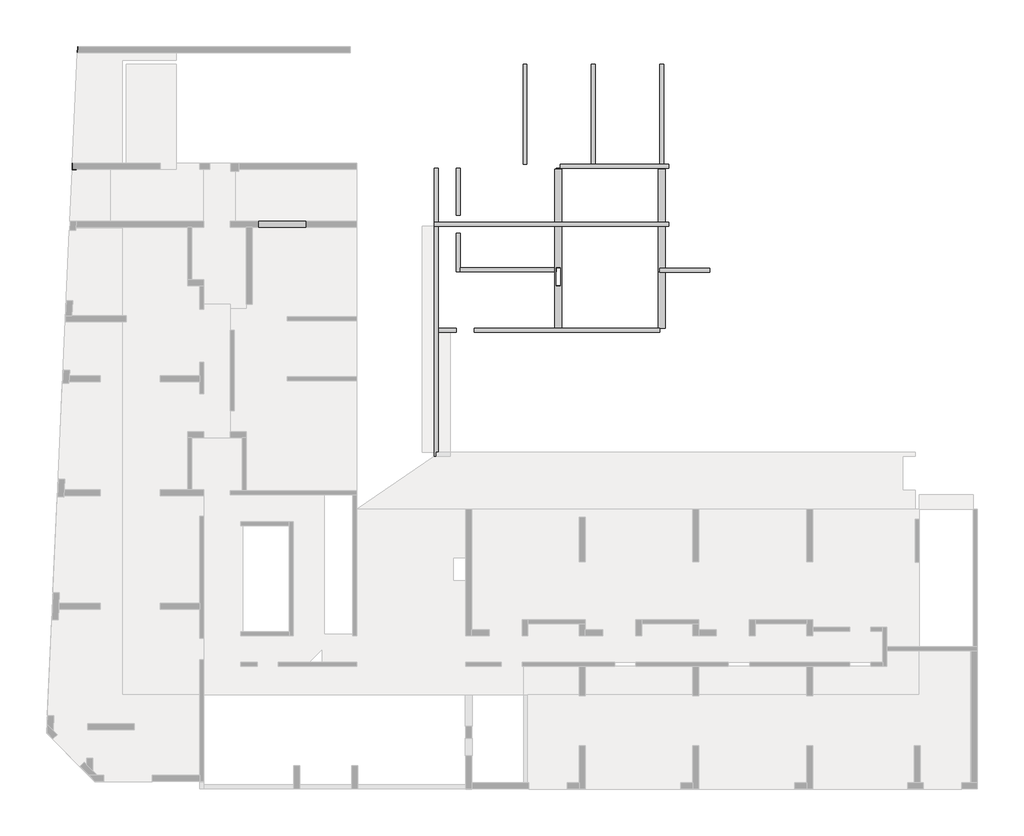
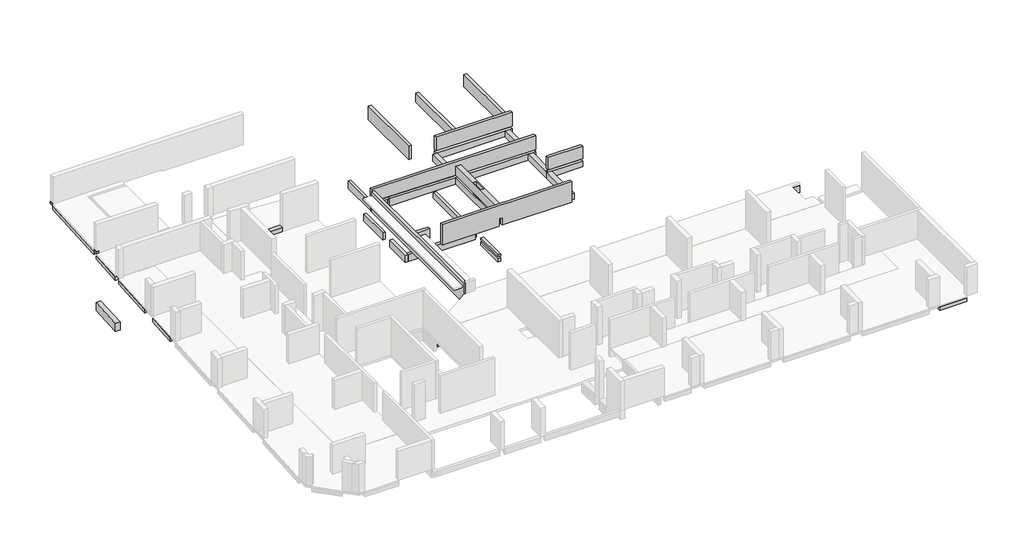
# One storey, part 4 of 4: 37 beams.
"""IFC4 building model written with IfcOpenShell, lengths in millimetres."""

from ifc_helpers import new_model, si_unit, frame, origin, place, context, project, spatial, polyline, outline, extrude, faceted_brep, element, save

model = new_model("IFC4")

# Units and contexts
model_context = context("Model", 3, world=origin())
ifc_project = project(units=[si_unit("LENGTHUNIT", "METRE", prefix="MILLI")], contexts=[model_context])

# Site, building, storey
site = spatial("IfcSite", under=ifc_project)
building = spatial("IfcBuilding", under=site)
storey = spatial("IfcBuildingStorey", under=building, Elevation=-20.0)

# Beams
placement = place(None, origin())
element("IfcBeam", 1, ObjectType="V. 20/168", at=placement, inside=storey, context=model_context, shape_type="Brep", body=[
    faceted_brep([(-13445.6912908, 11850.9327501, 230.0), (-13445.6912908, 11650.9327501, 230.0), (-13445.6912908, 11650.9327501, -826.2), (-13445.6912908, 11850.9327501, -826.2), (-18895.7442801, 11650.9327501, 230.0), (-18895.7442801, 11650.9327501, -771.6994701), (-18895.7442801, 11850.9327501, 230.0), (-18895.7442801, 11850.9327501, -771.6994701), (-17330.6912908, 11850.9327501, -787.35), (-17130.6912908, 11850.9327501, -789.35), (-13895.6912908, 11850.9327501, -821.7), (-13695.6912908, 11850.9327501, -823.7)], [[[0, 1, 2, 3]], [[1, 4, 5, 2]], [[1, 0, 6, 4]], [[3, 2, 5, 7, 8, 9, 10, 11]], [[6, 0, 3, 11, 10, 9, 8, 7]], [[4, 6, 7, 5]]]),
    faceted_brep([(-13445.6912908, 11850.9327501, -1450.0), (-13445.6912908, 11650.9327501, -1450.0), (-18895.7442801, 11650.9327501, -1450.0), (-18895.7442801, 11850.9327501, -1450.0), (-18895.7442801, 11850.9327501, -951.7084699), (-13445.6912908, 11850.9327501, -1006.2089998), (-18895.7442801, 11650.9327501, -951.7084699), (-13445.6912908, 11650.9327501, -1006.2089998)], [[[0, 1, 2, 3]], [[0, 3, 4, 5]], [[3, 2, 6, 4]], [[7, 5, 4, 6]], [[1, 0, 5, 7]], [[2, 1, 7, 6]]]),
])
element("IfcBeam", 2, ObjectType="V. 20/168", at=placement, inside=storey, context=model_context, shape_type="Brep", body=[
    faceted_brep([(-13445.6912908, 8930.9327501, 230.0), (-13445.6912908, 8730.9327501, 230.0), (-13445.6912908, 8730.9327501, -826.2), (-13445.6912908, 8930.9327501, -826.2), (-25195.6912908, 8730.9327501, 230.0), (-25195.6912908, 8730.9327501, 100.0), (-25195.6912908, 8730.9327501, -683.69875), (-25195.6912908, 8730.9327501, -708.7), (-24995.6912908, 8730.9327501, -710.7), (-19170.6912908, 8730.9327501, -768.95), (-18820.6912908, 8730.9327501, -772.45), (-13895.6912908, 8730.9327501, -821.7), (-13695.6912908, 8730.9327501, -823.7), (-25195.6912908, 8930.9327501, 230.0), (-25195.6912908, 8930.9327501, -708.7), (-25195.6912908, 8930.9327501, -683.69875)], [[[0, 1, 2, 3]], [[1, 4, 5, 6, 7, 8, 9, 10, 11, 12, 2]], [[1, 0, 13, 4]], [[3, 2, 12, 11, 10, 9, 8, 7, 14]], [[4, 13, 15, 14, 7, 6, 5]], [[13, 0, 3, 14, 15]]]),
    faceted_brep([(-25195.6912908, 8930.9327501, -1450.0), (-25195.6912908, 8730.9327501, -1450.0), (-25195.6912908, 8730.9327501, -888.7089998), (-25195.6912908, 8930.9327501, -888.7089998), (-13445.6912908, 8930.9327501, -1450.0), (-13445.6912908, 8730.9327501, -1450.0), (-13620.6912908, 8730.9327501, -1450.0), (-13970.6912908, 8730.9327501, -1450.0), (-18820.6912908, 8730.9327501, -1450.0), (-19170.6912908, 8730.9327501, -1450.0), (-23895.6912908, 8730.9327501, -1450.0), (-23895.6912908, 8930.9327501, -1450.0), (-19170.6912908, 8930.9327501, -1450.0), (-18820.6912908, 8930.9327501, -1450.0), (-13970.6912908, 8930.9327501, -1450.0), (-13620.6912908, 8930.9327501, -1450.0), (-13445.6912908, 8930.9327501, -1006.2089998), (-23895.6912908, 8930.9327501, -901.7089998), (-19170.6912908, 8930.9327501, -948.9589998), (-18820.6912908, 8930.9327501, -952.4589998), (-13970.6912908, 8930.9327501, -1000.9589998), (-13620.6912908, 8930.9327501, -1004.4589998), (-13445.6912908, 8730.9327501, -1006.2089998), (-24995.6912908, 8930.9327501, -890.7089998), (-24995.6912908, 8730.9327501, -890.7089998), (-23895.6912908, 8730.9327501, -901.7089998), (-19170.6912908, 8730.9327501, -948.9589998), (-18820.6912908, 8730.9327501, -952.4589998), (-13970.6912908, 8730.9327501, -1000.9589998), (-13620.6912908, 8730.9327501, -1004.4589998), (-24095.6912908, 8930.9327501, -901.7089998), (-24095.6912908, 8730.9327501, -901.7089998), (-24095.6912908, 8730.9327501, -1450.0), (-24095.6912908, 8930.9327501, -1450.0), (-24995.6912908, 8930.9327501, -1450.0), (-24995.6912908, 8730.9327501, -1450.0)], [[[0, 1, 2, 3]], [[4, 5, 6, 7, 8, 9, 10, 11, 12, 13, 14, 15]], [[16, 4, 15, 14, 13, 12, 11, 17, 18, 19, 20, 21]], [[22, 16, 21, 20, 19, 18, 17, 23, 3, 2, 24, 25, 26, 27, 28, 29]], [[5, 4, 16, 22]], [[5, 22, 29, 28, 27, 26, 25, 10, 9, 8, 7, 6]], [[25, 17, 11, 10]], [[30, 31, 32, 33]], [[17, 25, 31, 30]], [[1, 0, 34, 33, 32, 35]], [[0, 3, 23, 17, 30, 33, 34]], [[2, 1, 35, 32, 31, 25, 24]]]),
])
element("IfcBeam", 3, ObjectType="V. 20/40", at=placement, inside=storey, context=model_context, shape_type="SweptSolid", body=[
    extrude(outline(polyline([(1214.3087092, -19244.0672499), (1214.3087092, -19444.0672499), (-725.6912908, -19444.0672499), (-725.6912908, -19244.0672499), (1214.3087092, -19244.0672499)])), frame((0.0, 0.0, -420.0), z_axis=(0.0, 0.0, 1.0), x_axis=(1.0, 0.0, 0.0)), (0.0, 0.0, 1.0), 280.0),
])
element("IfcBeam", 4, ObjectType="V. 20/40", at=placement, inside=storey, context=model_context, shape_type="SweptSolid", body=[
    extrude(outline(polyline([(-43572.1332198, 1541.2645643), (-43771.9277394, 1550.3282252), (-43663.0245257, 3950.9327501), (-43462.8188339, 3950.9327501), (-43572.1332198, 1541.2645643)])), frame((0.0, 0.0, -420.0), z_axis=(0.0, 0.0, 1.0), x_axis=(1.0, 0.0, 0.0)), (0.0, 0.0, 1.0), 280.0),
])
element("IfcBeam", 5, ObjectType="V. 20/40", at=placement, inside=storey, context=model_context, shape_type="SweptSolid", body=[
    extrude(outline(polyline([(-43415.1552212, 5001.6040783), (-43614.9497408, 5010.6677392), (-43454.5229436, 8547.0307357), (-43254.728424, 8537.9670748), (-43415.1552212, 5001.6040783)])), frame((0.0, 0.0, -420.0), z_axis=(0.0, 0.0, 1.0), x_axis=(1.0, 0.0, 0.0)), (0.0, 0.0, 1.0), 280.0),
])
element("IfcBeam", 6, ObjectType="V. 20/40", at=placement, inside=storey, context=model_context, shape_type="SweptSolid", body=[
    extrude(outline(polyline([(-43234.633325, 8980.9327501), (-43434.8390168, 8980.9327501), (-43317.1170694, 11575.9327501), (-43116.9113776, 11575.9327501), (-43234.633325, 8980.9327501)])), frame((0.0, 0.0, -420.0), z_axis=(0.0, 0.0, 1.0), x_axis=(1.0, 0.0, 0.0)), (0.0, 0.0, 1.0), 280.0),
])
element("IfcBeam", 7, ObjectType="V. 20/40", at=placement, inside=storey, context=model_context, shape_type="SweptSolid", body=[
    extrude(outline(polyline([(-43116.9113776, 11575.9327501), (-43317.1170694, 11575.9327501), (-43301.2393501, 11925.9327501), (-43101.0336583, 11925.9327501), (-43102.1677811, 11900.9327501), (-43277.3477614, 11900.9327501), (-43290.9572351, 11600.9327501), (-43115.7772548, 11600.9327501), (-43116.9113776, 11575.9327501)])), frame((0.0, 0.0, -20.0), z_axis=(0.0, 0.0, 1.0), x_axis=(1.0, 0.0, 0.0)), (0.0, 0.0, 1.0), 150.0),
    extrude(outline(polyline([(-43101.0336583, 11925.9327501), (-43301.2393501, 11925.9327501), (-43052.6396307, 17405.9327501), (-42852.4339389, 17405.9327501), (-43101.0336583, 11925.9327501)])), frame((0.0, 0.0, -270.0), z_axis=(0.0, 0.0, 1.0), x_axis=(1.0, 0.0, 0.0)), (0.0, 0.0, 1.0), 240.0),
    extrude(outline(polyline([(-43026.4797964, 17430.9327501), (-43051.5055079, 17430.9327501), (-43037.8960342, 17730.9327501), (-43012.8703227, 17730.9327501), (-43026.4797964, 17430.9327501)])), frame((0.0, 0.0, -20.0), z_axis=(0.0, 0.0, 1.0), x_axis=(1.0, 0.0, 0.0)), (0.0, 0.0, 1.0), 150.0),
])
element("IfcBeam", 8, ObjectType="V. 20/40", at=placement, inside=storey, context=model_context, shape_type="SweptSolid", body=[
    extrude(outline(polyline([(1644.3087092, -14499.0672499), (1644.3087092, -14699.0672499), (-850.6912908, -14699.0672499), (-850.6912908, -14499.0672499), (1644.3087092, -14499.0672499)])), frame((0.0, 0.0, -420.0), z_axis=(0.0, 0.0, 1.0), x_axis=(1.0, 0.0, 0.0)), (0.0, 0.0, 1.0), 280.0),
])
element("IfcBeam", 9, ObjectType="V. 20/74", at=placement, inside=storey, context=model_context, shape_type="Brep", body=[
    faceted_brep([(-1125.6912908, -2769.0672499, -1450.0), (-1125.6912908, -2569.0672499, -1450.0), (-1125.6912908, -2569.0672499, -1390.0089998), (-1125.6912908, -2569.0672499, -1210.0), (-1125.6912908, -2569.0672499, -889.9176391), (-1125.6912908, -2769.0672499, -887.1176391), (-24395.6912908, -2569.0672499, -1450.0), (-24395.6912908, -2769.0672499, -1450.0), (-24395.6912908, -2769.0672499, -887.1176391), (-24395.6912908, -2569.0672499, -889.9176391), (-1755.6912908, -2769.0672499, -887.1176391), (-19170.6912908, -2569.0672499, -1450.0), (-18820.6912908, -2569.0672499, -1450.0), (-13970.6912908, -2569.0672499, -1450.0), (-13620.6912908, -2569.0672499, -1450.0), (-8870.6912908, -2569.0672499, -1450.0), (-8520.6912908, -2569.0672499, -1450.0), (-3690.6912908, -2569.0672499, -1450.0), (-3340.6912908, -2569.0672499, -1450.0)], [[[0, 1, 2, 3, 4, 5]], [[6, 7, 8, 9]], [[7, 0, 5, 10, 8]], [[1, 0, 7, 6, 11, 12, 13, 14, 15, 16, 17, 18]], [[1, 18, 17, 16, 15, 14, 13, 12, 11, 6, 9, 4, 3, 2]], [[5, 4, 9, 8, 10]]]),
])
element("IfcBeam", 10, ObjectType="V. 20/74", at=placement, inside=storey, context=model_context, shape_type="SweptSolid", body=[
    extrude(outline(polyline([(-1450.0, -25195.6912908), (-1450.0, -24995.6912908), (-890.7089998, -24995.6912908), (-888.7089998, -25195.6912908), (-1450.0, -25195.6912908)])), frame((0.0, 8930.9327501, 0.0), z_axis=(0.0, 1.0, 0.0), x_axis=(0.0, 0.0, 1.0)), (0.0, 0.0, 1.0), 2720.0),
])
element("IfcBeam", 11, ObjectType="V. 20/80", at=placement, inside=storey, context=model_context, shape_type="Brep", body=[
    faceted_brep([(-36735.6912908, 4590.9327501, -820.0), (-36935.6912908, 4590.9327501, -820.0), (-36935.6912908, 4590.9327501, -180.0), (-36735.6912908, 4590.9327501, -180.0), (-36935.6912908, 1930.9327501, -820.0), (-36735.6912908, 1930.9327501, -820.0), (-36735.6912908, 1930.9327501, -180.0), (-36935.6912908, 1930.9327501, -180.0), (-36935.6912908, 3950.9327501, -820.0), (-36935.6912908, 4300.9327501, -820.0), (-36935.6912908, 3950.9327501, -180.0), (-36935.6912908, 4300.9327501, -180.0)], [[[0, 1, 2, 3]], [[4, 5, 6, 7]], [[5, 0, 3, 6]], [[1, 0, 5, 4, 8, 9]], [[1, 9, 8, 4, 7, 10, 11, 2]], [[3, 2, 11, 10, 7, 6]]]),
])
element("IfcBeam", 12, ObjectType="V. 20/98", at=placement, inside=storey, context=model_context, shape_type="SweptSolid", body=[
    extrude(outline(polyline([(-32545.6912908, 1200.9327501), (-32545.6912908, 1000.9327501), (-35205.6912908, 1000.9327501), (-35205.6912908, 1200.9327501), (-32545.6912908, 1200.9327501)])), frame((0.0, 0.0, -1650.0), z_axis=(0.0, 0.0, 1.0), x_axis=(1.0, 0.0, 0.0)), (0.0, 0.0, 1.0), 820.0),
])
element("IfcBeam", 13, ObjectType="V. 20/98", at=placement, inside=storey, context=model_context, shape_type="SweptSolid", body=[
    extrude(outline(polyline([(-29365.6912908, 1200.9327501), (-29365.6912908, 1000.9327501), (-30205.6912908, 1000.9327501), (-30205.6912908, 1200.9327501), (-29365.6912908, 1200.9327501)])), frame((0.0, 0.0, -1650.0), z_axis=(0.0, 0.0, 1.0), x_axis=(1.0, 0.0, 0.0)), (0.0, 0.0, 1.0), 820.0),
])
element("IfcBeam", 14, ObjectType="V. 20/98", at=placement, inside=storey, context=model_context, shape_type="SweptSolid", body=[
    extrude(outline(polyline([(-29365.6912908, 4200.9327501), (-29365.6912908, 4000.9327501), (-30205.6912908, 4000.9327501), (-30205.6912908, 4200.9327501), (-29365.6912908, 4200.9327501)])), frame((0.0, 0.0, -1650.0), z_axis=(0.0, 0.0, 1.0), x_axis=(1.0, 0.0, 0.0)), (0.0, 0.0, 1.0), 820.0),
])
element("IfcBeam", 15, ObjectType="V. 30/98", at=placement, inside=storey, context=model_context, shape_type="Brep", body=[
    faceted_brep([(-29365.6912908, -4489.0672499, -1650.0), (-29065.6912908, -4489.0672499, -1650.0), (-29065.6912908, -4489.0672499, -830.0), (-29365.6912908, -4489.0672499, -830.0), (-29065.6912908, 8980.9327501, -830.0), (-29065.6912908, 11600.9327501, -1650.0), (-29065.6912908, 11600.9327501, -830.2954584), (-29065.6912908, 8980.9327501, -830.2954584), (-29365.6912908, 1000.9327501, -1650.0), (-29365.6912908, 1200.9327501, -1650.0), (-29365.6912908, 4000.9327501, -1650.0), (-29365.6912908, 4200.9327501, -1650.0), (-29365.6912908, 8680.9327501, -1650.0), (-29365.6912908, 8980.9327501, -1650.0), (-29365.6912908, 11600.9327501, -1650.0), (-29365.6912908, 1000.9327501, -830.0), (-29365.6912908, 1200.9327501, -830.0), (-29365.6912908, 4000.9327501, -830.0), (-29365.6912908, 4200.9327501, -830.0), (-29365.6912908, 8680.9327501, -830.0), (-29365.6912908, 8980.9327501, -830.0), (-29365.6912908, 8980.9327501, -812.0554584), (-29365.6912908, 11600.9327501, -812.0554584), (-29070.550804, 8980.9327501, -830.0)], [[[0, 1, 2, 3]], [[4, 2, 1, 5, 6, 7]], [[1, 0, 8, 9, 10, 11, 12, 13, 14, 5]], [[3, 15, 16, 17, 18, 19, 20, 21, 22, 14, 13, 12, 11, 10, 9, 8, 0]], [[2, 4, 23, 20, 19, 18, 17, 16, 15, 3]], [[21, 20, 23]], [[23, 7, 6, 22, 21]], [[7, 23, 4]], [[6, 5, 14, 22]]]),
])
element("IfcBeam", 16, ObjectType="V. 30/98", at=placement, inside=storey, context=model_context, shape_type="Brep", body=[
    faceted_brep([(-29065.6912908, -5419.0672499, -1650.0), (-29065.6912908, -5719.0672499, -1650.0), (-29065.6912908, -5719.0672499, -830.0), (-29065.6912908, -5419.0672499, -830.0), (-23625.6912908, -5719.0672499, -1650.0), (-23325.6912908, -5719.0672499, -1650.0), (-17935.6912908, -5719.0672499, -1650.0), (-17635.6912908, -5719.0672499, -1650.0), (-12245.6912908, -5719.0672499, -1650.0), (-11945.6912908, -5719.0672499, -1650.0), (-6555.6912908, -5719.0672499, -1650.0), (-6255.6912908, -5719.0672499, -1650.0), (-1125.6912908, -5719.0672499, -1650.0), (-1125.6912908, -5719.0672499, -830.0), (-6255.6912908, -5719.0672499, -830.0), (-6555.6912908, -5719.0672499, -830.0), (-11945.6912908, -5719.0672499, -830.0), (-12245.6912908, -5719.0672499, -830.0), (-17635.6912908, -5719.0672499, -830.0), (-17935.6912908, -5719.0672499, -830.0), (-23325.6912908, -5719.0672499, -830.0), (-23625.6912908, -5719.0672499, -830.0), (-1125.6912908, -5419.0672499, -1650.0), (-1125.6912908, -5419.0672499, -830.0), (-1125.6912908, -5419.0672499, -850.0176391)], [[[0, 1, 2, 3]], [[2, 1, 4, 5, 6, 7, 8, 9, 10, 11, 12, 13, 14, 15, 16, 17, 18, 19, 20, 21]], [[1, 0, 22, 12, 11, 10, 9, 8, 7, 6, 5, 4]], [[0, 3, 23, 24, 22]], [[3, 2, 21, 20, 19, 18, 17, 16, 15, 14, 13, 23]], [[13, 12, 22, 24, 23]]]),
])
element("IfcBeam", 17, ObjectType="V. 30/98", at=placement, inside=storey, context=model_context, shape_type="SweptSolid", body=[
    extrude(outline(polyline([(-29365.6912908, 8980.9327501), (-29365.6912908, 8680.9327501), (-30205.6912908, 8680.9327501), (-30205.6912908, 8980.9327501), (-29365.6912908, 8980.9327501)])), frame((0.0, 0.0, -1650.0), z_axis=(0.0, 0.0, 1.0), x_axis=(1.0, 0.0, 0.0)), (0.0, 0.0, 1.0), 820.0),
])
element("IfcBeam", 18, ObjectType="V. 35/135", at=placement, inside=storey, context=model_context, shape_type="Brep", body=[
    faceted_brep([(-19170.6912908, 8730.9327501, -100.0), (-18820.6912908, 8730.9327501, -100.0), (-18820.6912908, 8730.9327501, -772.45), (-19170.6912908, 8730.9327501, -768.95), (-18820.6912908, 3640.9327501, -100.0), (-18820.6912908, 3640.9327501, -772.45), (-19170.6912908, 3640.9327501, -100.0), (-18895.6912908, 6650.9327501, -100.0), (-18895.6912908, 5750.9327501, -100.0), (-19095.6912908, 5750.9327501, -100.0), (-19095.6912908, 6650.9327501, -100.0), (-19170.6912908, 3640.9327501, -768.95), (-18895.6912908, 5750.9327501, -771.7), (-18895.6912908, 6650.9327501, -771.7), (-19095.6912908, 6650.9327501, -769.7), (-19095.6912908, 5750.9327501, -769.7)], [[[0, 1, 2, 3]], [[1, 4, 5, 2]], [[1, 0, 6, 4], [7, 8, 9, 10]], [[3, 2, 5, 11], [12, 13, 14, 15]], [[4, 6, 11, 5]], [[6, 0, 3, 11]], [[8, 12, 15, 9]], [[12, 8, 7, 13]], [[14, 10, 9, 15]], [[13, 7, 10, 14]]]),
    faceted_brep([(-19170.6912908, 3640.9327501, -1450.0), (-19095.6912908, 3640.9327501, -1450.0), (-18895.6912908, 3640.9327501, -1450.0), (-18820.6912908, 3640.9327501, -1450.0), (-18820.6912908, 3640.9327501, -952.4589998), (-19170.6912908, 3640.9327501, -948.9589998), (-19170.6912908, 8730.9327501, -1450.0), (-18820.6912908, 8730.9327501, -1450.0), (-18895.6912908, 5750.9327501, -1450.0), (-18895.6912908, 6650.9327501, -1450.0), (-19095.6912908, 6650.9327501, -1450.0), (-19095.6912908, 5750.9327501, -1450.0), (-19170.6912908, 8730.9327501, -948.9589998), (-18820.6912908, 8730.9327501, -952.4589998), (-18895.6912908, 6650.9327501, -951.7089998), (-18895.6912908, 5750.9327501, -951.7089998), (-19095.6912908, 5750.9327501, -949.7089998), (-19095.6912908, 6650.9327501, -949.7089998)], [[[0, 1, 2, 3, 4, 5]], [[6, 7, 3, 2, 1, 0], [8, 9, 10, 11]], [[6, 0, 5, 12]], [[13, 12, 5, 4], [14, 15, 16, 17]], [[7, 6, 12, 13]], [[3, 7, 13, 4]], [[8, 15, 14, 9]], [[10, 17, 16, 11]], [[9, 14, 17, 10]], [[15, 8, 11, 16]]]),
])
element("IfcBeam", 19, ObjectType="V. 35/62.5", at=placement, inside=storey, context=model_context, shape_type="Brep", body=[
    faceted_brep([(-13620.6912908, 8730.9327501, -1450.0), (-13970.6912908, 8730.9327501, -1450.0), (-13970.6912908, 8730.9327501, -1000.9589998), (-13620.6912908, 8730.9327501, -1004.4589998), (-13620.6912908, 6635.9327501, -1450.0), (-13620.6912908, 6635.9327501, -1004.4589998), (-13895.6912908, 6635.9327501, -1450.0), (-13895.6912908, 6435.9327501, -1450.0), (-13970.6912908, 6435.9327501, -1450.0), (-13970.6912908, 6435.9327501, -1000.9589998), (-13895.6912908, 6635.9327501, -1001.7089998), (-13895.6912908, 6435.9327501, -1001.7089998)], [[[0, 1, 2, 3]], [[4, 0, 3, 5]], [[1, 0, 4, 6, 7, 8]], [[1, 8, 9, 2]], [[6, 4, 5, 10]], [[3, 2, 9, 11, 10, 5]], [[7, 6, 10, 11]], [[8, 7, 11, 9]]]),
])
element("IfcBeam", 20, ObjectType="V. 35/62.5", at=placement, inside=storey, context=model_context, shape_type="Brep", body=[
    faceted_brep([(-13970.6912908, 3640.9327501, -1450.0), (-13895.6912908, 3640.9327501, -1450.0), (-13620.6912908, 3640.9327501, -1450.0), (-13620.6912908, 3640.9327501, -1004.4589998), (-13970.6912908, 3640.9327501, -1000.9589998), (-13620.6912908, 6435.9327501, -1450.0), (-13895.6912908, 6435.9327501, -1450.0), (-13970.6912908, 6435.9327501, -1450.0), (-13970.6912908, 6435.9327501, -1000.9589998), (-13895.6912908, 6435.9327501, -1001.7089998), (-13620.6912908, 6435.9327501, -1004.4589998)], [[[0, 1, 2, 3, 4]], [[5, 6, 7, 8, 9, 10]], [[7, 0, 4, 8]], [[2, 1, 0, 7, 6, 5]], [[2, 5, 10, 3]], [[4, 3, 10, 9, 8]]]),
])
element("IfcBeam", 21, ObjectType="V. 35/62.5", at=placement, inside=storey, context=model_context, shape_type="SweptSolid", body=[
    extrude(outline(polyline([(-1450.0, -13970.6912908), (-1450.0, -13620.6912908), (-1004.4589998, -13620.6912908), (-1000.9589998, -13970.6912908), (-1450.0, -13970.6912908)])), frame((0.0, 8930.9327501, 0.0), z_axis=(0.0, 1.0, 0.0), x_axis=(0.0, 0.0, 1.0)), (0.0, 0.0, 1.0), 2670.0),
])
element("IfcBeam", 22, ObjectType="V. 35/67", at=placement, inside=storey, context=model_context, shape_type="SweptSolid", body=[
    extrude(outline(polyline([(-1450.0, -19170.6912908), (-1450.0, -18820.6912908), (-952.4589998, -18820.6912908), (-948.9589998, -19170.6912908), (-1450.0, -19170.6912908)])), frame((0.0, 8930.9327501, 0.0), z_axis=(0.0, 1.0, 0.0), x_axis=(0.0, 0.0, 1.0)), (0.0, 0.0, 1.0), 2670.0),
])
element("IfcBeam", 23, ObjectType="V. 35/80", at=placement, inside=storey, context=model_context, shape_type="SweptSolid", body=[
    extrude(outline(polyline([(-36935.6912908, 950.9327501), (-36935.6912908, 925.9327501), (-40605.6912908, 925.9327501), (-40605.6912908, 1275.9327501), (-36935.6912908, 1275.9327501), (-36935.6912908, 1250.9327501), (-38905.6912908, 1250.9327501), (-38905.6912908, 950.9327501), (-36935.6912908, 950.9327501)])), frame((0.0, 0.0, -820.0), z_axis=(0.0, 0.0, 1.0), x_axis=(1.0, 0.0, 0.0)), (0.0, 0.0, 1.0), 640.0),
    extrude(outline(polyline([(-41905.6912908, 925.9327501), (-41905.6912908, 1275.9327501), (-40805.6912908, 1275.9327501), (-40805.6912908, 925.9327501), (-41905.6912908, 925.9327501)])), frame((0.0, 0.0, -820.0), z_axis=(0.0, 0.0, 1.0), x_axis=(1.0, 0.0, 0.0)), (0.0, 0.0, 1.0), 680.0),
])
element("IfcBeam", 24, ObjectType="V. 35/80", at=placement, inside=storey, context=model_context, shape_type="Brep", body=[
    faceted_brep([(-1200.6912908, -13099.0672499, -820.0), (-1200.6912908, -13099.0672499, -180.0), (-1125.6912908, -13099.0672499, -180.0), (-1125.6912908, -13099.0672499, -820.0), (-1125.6912908, -14499.0672499, -820.0), (-1200.6912908, -14499.0672499, -820.0), (-1200.6912908, -14499.0672499, -180.0), (-1125.6912908, -14499.0672499, -180.0)], [[[0, 1, 2, 3]], [[0, 3, 4, 5]], [[2, 1, 6, 7]], [[3, 2, 7, 4]], [[6, 5, 4, 7]], [[1, 0, 5, 6]]]),
    faceted_brep([(-1200.6912908, -14699.0672499, -140.0), (-1200.6912908, -14699.0672499, -820.0), (-1200.6912908, -17269.0672499, -820.0), (-1200.6912908, -17269.0672499, -140.0), (-850.6912908, -17269.0672499, -820.0), (-850.6912908, -13099.0672499, -820.0), (-850.6912908, -13099.0672499, -140.0), (-850.6912908, -14499.0672499, -140.0), (-850.6912908, -14699.0672499, -140.0), (-850.6912908, -17269.0672499, -140.0), (-925.6912908, -13099.0672499, -140.0), (-925.6912908, -14699.0672499, -140.0), (-925.6912908, -13099.0672499, -820.0), (-925.6912908, -14699.0672499, -820.0), (-925.6912908, -14699.0672499, -180.0)], [[[0, 1, 2, 3]], [[4, 5, 6, 7, 8, 9]], [[3, 9, 8, 7, 6, 10, 11, 0]], [[3, 2, 4, 9]], [[12, 13, 14, 11, 10]], [[11, 14, 13, 1, 0]], [[5, 12, 10, 6]], [[12, 5, 4, 2, 1, 13]]]),
])
element("IfcBeam", 25, ObjectType="V. 35/80", at=placement, inside=storey, context=model_context, shape_type="SweptSolid", body=[
    extrude(outline(polyline([(-36935.6912908, 4300.9327501), (-36935.6912908, 3950.9327501), (-40605.6912908, 3950.9327501), (-40605.6912908, 4300.9327501), (-36935.6912908, 4300.9327501)])), frame((0.0, 0.0, -820.0), z_axis=(0.0, 0.0, 1.0), x_axis=(1.0, 0.0, 0.0)), (0.0, 0.0, 1.0), 640.0),
])
element("IfcBeam", 26, ObjectType="VF. 20/55", at=placement, inside=storey, context=model_context, shape_type="Brep", body=[
    faceted_brep([(-24095.6912908, 6450.9327501, -4300.0), (-24095.6912908, 6450.9327501, -4050.0), (-24095.6912908, 6450.9327501, -3900.0), (-24095.6912908, 6450.9327501, -3750.0), (-24095.6912908, 8380.9327501, -3750.0), (-24095.6912908, 8380.9327501, -4300.0), (-23895.6912908, 6450.9327501, -4300.0), (-23895.6912908, 8380.9327501, -4300.0), (-23895.6912908, 6650.9327501, -4300.0), (-23895.6912908, 6450.9327501, -4050.0), (-23895.6912908, 8380.9327501, -3750.0), (-23895.6912908, 6650.9327501, -3750.0), (-23895.6912908, 6450.9327501, -3750.0), (-23895.6912908, 6450.9327501, -3900.0)], [[[0, 1, 2, 3, 4, 5]], [[6, 0, 5, 7, 8]], [[9, 6, 8, 7, 10, 11, 12, 13]], [[3, 12, 11, 10, 4]], [[0, 6, 9, 13, 12, 3, 2, 1]], [[5, 4, 10, 7]]]),
    faceted_brep([(-23895.6912908, 11650.9327501, -4300.0), (-24095.6912908, 11650.9327501, -4300.0), (-24095.6912908, 11650.9327501, -4050.0), (-24095.6912908, 11650.9327501, -3900.0), (-24095.6912908, 11650.9327501, -3750.0), (-23895.6912908, 11650.9327501, -3750.0), (-23895.6912908, 11650.9327501, -3900.0), (-24095.6912908, 9280.9327501, -3750.0), (-24095.6912908, 9280.9327501, -4300.0), (-23895.6912908, 9280.9327501, -4300.0), (-23895.6912908, 9280.9327501, -3750.0)], [[[0, 1, 2, 3, 4, 5, 6]], [[7, 8, 9, 10]], [[2, 1, 8, 7, 4, 3]], [[1, 0, 9, 8]], [[0, 6, 5, 10, 9]], [[5, 4, 7, 10]]]),
])
element("IfcBeam", 27, ObjectType="VF. 20/55", at=placement, inside=storey, context=model_context, shape_type="Brep", body=[
    faceted_brep([(-23895.6912908, 6450.9327501, -3750.0), (-23895.6912908, 6450.9327501, -4300.0), (-19095.6912908, 6450.9327501, -4300.0), (-19095.6912908, 6450.9327501, -3750.0), (-23895.6912908, 6650.9327501, -4300.0), (-19095.6912908, 6650.9327501, -4300.0), (-23895.6912908, 6650.9327501, -3900.0), (-23895.6912908, 6650.9327501, -3750.0), (-19095.6912908, 6650.9327501, -3750.0)], [[[0, 1, 2, 3]], [[1, 4, 5, 2]], [[4, 6, 7, 8, 5]], [[7, 0, 3, 8]], [[1, 0, 7, 6, 4]], [[3, 2, 5, 8]]]),
])
element("IfcBeam", 28, ObjectType="VF. 20/55", at=placement, inside=storey, context=model_context, shape_type="SweptSolid", body=[
    extrude(outline(polyline([(-18895.6912908, 3640.9327501), (-19095.6912908, 3640.9327501), (-19095.6912908, 5750.9327501), (-18895.6912908, 5750.9327501), (-18895.6912908, 3640.9327501)])), frame((0.0, 0.0, -4300.0), z_axis=(0.0, 0.0, 1.0), x_axis=(1.0, 0.0, 0.0)), (0.0, 0.0, 1.0), 250.0),
    extrude(outline(polyline([(-19095.6912908, 11650.9327501), (-18895.6912908, 11650.9327501), (-18895.6912908, 6650.9327501), (-19095.6912908, 6650.9327501), (-19095.6912908, 11650.9327501)])), frame((0.0, 0.0, -4300.0), z_axis=(0.0, 0.0, 1.0), x_axis=(1.0, 0.0, 0.0)), (0.0, 0.0, 1.0), 400.0),
    extrude(outline(polyline([(-18895.6912908, 3640.9327501), (-19095.6912908, 3640.9327501), (-19095.6912908, 5750.9327501), (-18895.6912908, 5750.9327501), (-18895.6912908, 3640.9327501)])), frame((0.0, 0.0, -3900.0), z_axis=(0.0, 0.0, 1.0), x_axis=(1.0, 0.0, 0.0)), (0.0, 0.0, 1.0), 150.0),
])
element("IfcBeam", 29, ObjectType="VF. 35/60", at=placement, inside=storey, context=model_context, shape_type="Brep", body=[
    faceted_brep([(-43434.8390168, 8980.9327501, -4300.0), (-43434.8390168, 8980.9327501, -3700.0), (-43317.1170694, 11575.9327501, -3700.0), (-43317.1170694, 11575.9327501, -3900.0), (-43317.1170694, 11575.93275, -4300.0), (-43084.4790562, 8980.9327501, -4300.0), (-43317.1170694, 11300.9327501, -4300.0), (-42979.2324597, 11300.9327501, -4300.0), (-43084.4790562, 8980.9327501, -3700.0), (-42979.2324597, 11300.9327501, -3900.0), (-42966.7571088, 11575.9327501, -3900.0), (-42966.7571088, 11575.9327501, -3700.0), (-43317.1170694, 11300.9327501, -3900.0)], [[[0, 1, 2, 3, 4]], [[5, 0, 4, 6, 7]], [[8, 5, 7, 9, 10, 11]], [[1, 8, 11, 2]], [[1, 0, 5, 8]], [[9, 12, 3, 10]], [[12, 9, 7, 6]], [[3, 2, 11, 10]], [[3, 12, 6, 4]]]),
])
element("IfcBeam", 30, ObjectType="VI. 20/103", at=placement, inside=storey, context=model_context, shape_type="SweptSolid", body=[
    extrude(outline(polyline([(-20550.6912908, 11850.9327501), (-20750.6912908, 11850.9327501), (-20750.6912908, 16850.9327501), (-20550.6912908, 16850.9327501), (-20550.6912908, 11850.9327501)])), frame((0.0, 0.0, -930.0), z_axis=(0.0, 0.0, 1.0), x_axis=(1.0, 0.0, 0.0)), (0.0, 0.0, 1.0), 1030.0),
])
element("IfcBeam", 31, ObjectType="VI. 20/110", at=placement, inside=storey, context=model_context, shape_type="SweptSolid", body=[
    extrude(outline(polyline([(100.0, -13695.6912908), (100.0, -13895.6912908), (-821.7, -13895.6912908), (-823.7, -13695.6912908), (100.0, -13695.6912908)])), frame((0.0, 11850.9327501, 0.0), z_axis=(0.0, 1.0, 0.0), x_axis=(0.0, 0.0, 1.0)), (0.0, 0.0, 1.0), 5000.0),
])
element("IfcBeam", 32, ObjectType="VI. 20/86.5", at=placement, inside=storey, context=model_context, shape_type="SweptSolid", body=[
    extrude(outline(polyline([(-100.0, -17130.6912908), (-100.0, -17330.6912908), (-787.35, -17330.6912908), (-789.35, -17130.6912908), (-100.0, -17130.6912908)])), frame((0.0, 11850.9327501, 0.0), z_axis=(0.0, 1.0, 0.0), x_axis=(0.0, 0.0, 1.0)), (0.0, 0.0, 1.0), 5000.0),
])
element("IfcBeam", 33, ObjectType="VSI. 20/155", at=placement, inside=storey, context=model_context, shape_type="Brep", body=[
    faceted_brep([(-25195.6912908, 8730.9327501, 100.0), (-24995.6912908, 8730.9327501, 100.0), (-24995.6912908, 8730.9327501, -710.7), (-25195.6912908, 8730.9327501, -708.7), (-25195.6912908, 8730.9327501, -350.0), (-25195.6912908, 8730.9327501, -200.0), (-24995.6912908, 8730.9327501, -890.7089998), (-24995.6912908, 3640.9327501, -890.7089998), (-24995.6912908, 3640.9327501, -710.7), (-24995.6912908, 3640.9327501, 100.0), (-24995.6912908, 3440.9327501, 100.0), (-24995.6912908, -2569.0672499, 100.0), (-24995.6912908, -2569.0672499, -200.0), (-24995.6912908, -2569.0672499, -350.0), (-24995.6912908, -2569.0672499, -1210.0), (-24995.6912908, -2569.0672499, -1390.0089998), (-24995.6912908, -2569.0672499, -1450.0), (-24995.6912908, -1634.1017012, -1450.0), (-24995.6912908, -1284.1017012, -1450.0), (-24995.6912908, 3440.9327501, -1450.0), (-24995.6912908, 3640.9327501, -1450.0), (-24995.6912908, 8730.9327501, -1450.0), (-25195.6912908, 8730.9327501, -1450.0), (-25095.6912908, -2569.0672499, -1450.0), (-25095.6912908, -2769.0672499, -1450.0), (-25195.6912908, -2769.0672499, -1450.0), (-25195.6912908, 3640.9327501, -888.7089998), (-25195.6912908, 8730.9327501, -888.7089998), (-25195.6912908, -2769.0672499, -888.7089998), (-25195.6912908, -2769.0672499, -887.1176391), (-25195.6912908, -2769.0672499, -708.7), (-25195.6912908, -2769.0672499, -707.1), (-25195.6912908, -2769.0672499, -683.69875), (-25195.6912908, -2769.0672499, 100.0), (-25195.6912908, -2569.0672499, 100.0), (-25195.6912908, 3640.9327501, -708.7), (-25095.6912908, -2769.0672499, 100.0), (-25095.6912908, -2569.0672499, 100.0), (-25095.6912908, -2769.0672499, -887.1176391), (-25095.6912908, -2769.0672499, -707.1)], [[[0, 1, 2, 3, 4, 5]], [[6, 7, 8, 2, 1, 9, 10, 11, 12, 13, 14, 15, 16, 17, 18, 19, 20, 21]], [[22, 21, 20, 19, 18, 17, 16, 23, 24, 25]], [[26, 27, 22, 25, 28, 29, 30, 31, 32, 33, 34, 0, 5, 4, 3, 35]], [[1, 0, 34, 33, 36, 37, 11, 10, 9]], [[26, 7, 6, 27]], [[8, 35, 3, 2]], [[7, 26, 35, 8]], [[21, 22, 27, 6]], [[28, 25, 24, 38, 39, 36, 33, 32, 31, 30, 29]], [[37, 23, 16, 15, 14, 13, 12, 11]], [[23, 37, 36, 39, 38, 24]]]),
])
element("IfcBeam", 34, ObjectType="VSI. 20/155", at=placement, inside=storey, context=model_context, shape_type="Brep", body=[
    faceted_brep([(-23195.6912908, 3440.9327501, 100.0), (-23195.6912908, 3640.9327501, 100.0), (-23195.6912908, 3640.9327501, -728.7), (-23195.6912908, 3640.9327501, -908.7089998), (-23195.6912908, 3640.9327501, -1450.0), (-23195.6912908, 3440.9327501, -1450.0), (-19170.6912908, 3440.9327501, -1450.0), (-19095.6912908, 3440.9327501, -1450.0), (-19095.6912908, 3440.9327501, -900.0), (-18895.6912908, 3440.9327501, -900.0), (-18895.6912908, 3440.9327501, -1450.0), (-18820.6912908, 3440.9327501, -1450.0), (-13970.6912908, 3440.9327501, -1450.0), (-13895.6912908, 3440.9327501, -1450.0), (-13895.6912908, 3440.9327501, -900.0), (-13895.6912908, 3440.9327501, 100.0), (-13895.6912908, 3640.9327501, -1450.0), (-18895.6912908, 3640.9327501, -1450.0), (-18820.6912908, 3640.9327501, -1450.0), (-13970.6912908, 3640.9327501, -1450.0), (-13895.6912908, 3640.9327501, 100.0), (-13895.6912908, 3640.9327501, -821.7), (-13895.6912908, 3640.9327501, -1001.7089998), (-18895.6912908, 3640.9327501, -900.0), (-19095.6912908, 3640.9327501, -900.0), (-19095.6912908, 3640.9327501, -1450.0), (-19170.6912908, 3640.9327501, -1450.0)], [[[0, 1, 2, 3, 4, 5]], [[0, 5, 6, 7, 8, 9, 10, 11, 12, 13, 14, 15]], [[16, 13, 12, 11, 10, 17, 18, 19]], [[1, 20, 21, 22, 16, 19, 18, 17, 23, 24, 25, 26, 4, 3, 2]], [[1, 0, 15, 20]], [[15, 14, 13, 16, 22, 21, 20]], [[24, 8, 7, 25]], [[9, 23, 17, 10]], [[8, 24, 23, 9]], [[5, 4, 26, 25, 7, 6]]]),
])
element("IfcBeam", 35, ObjectType="VSI. 20/155", at=placement, inside=storey, context=model_context, shape_type="Brep", body=[
    faceted_brep([(-24995.6912908, 3440.9327501, -350.0), (-24995.6912908, 3440.9327501, -1270.1), (-24995.6912908, 3440.9327501, -1450.0), (-24095.725742, 3440.9327501, -1450.0), (-24095.725742, 3440.9327501, 100.0), (-24995.6912908, 3440.9327501, 100.0), (-24995.6912908, 3440.9327501, -200.0), (-24995.6912908, 3640.9327501, -1450.0), (-24095.725742, 3640.9327501, -1450.0), (-24995.6912908, 3640.9327501, -890.7089998), (-24995.6912908, 3640.9327501, -710.7), (-24995.6912908, 3640.9327501, 100.0), (-24095.725742, 3640.9327501, 100.0)], [[[0, 1, 2, 3, 4, 5, 6]], [[2, 7, 8, 3]], [[7, 9, 10, 11, 12, 8]], [[11, 5, 4, 12]], [[7, 2, 1, 0, 6, 5, 11, 10, 9]], [[4, 3, 8, 12]]]),
])
element("IfcBeam", 36, ObjectType="VSI. 20/155", at=placement, inside=storey, context=model_context, shape_type="Brep", body=[
    faceted_brep([(-11395.6912908, 6635.9327501, 100.0), (-11395.6912908, 6435.9327501, 100.0), (-11395.6912908, 6435.9327501, -846.7), (-11395.6912908, 6635.9327501, -846.7), (-13895.6912908, 6435.9327501, 100.0), (-13895.6912908, 6435.9327501, -100.0), (-13895.6912908, 6435.9327501, -821.7), (-13695.6912908, 6435.9327501, -823.7), (-13695.6912908, 6635.9327501, 100.0), (-13895.6912908, 6635.9327501, 100.0), (-13895.6912908, 6635.9327501, -821.7), (-13695.6912908, 6635.9327501, -823.7)], [[[0, 1, 2, 3]], [[1, 4, 5, 6, 7, 2]], [[1, 0, 8, 9, 4]], [[3, 2, 7, 6, 10, 11]], [[9, 8, 0, 3, 11, 10]], [[4, 9, 10, 6, 5]]]),
    faceted_brep([(-13895.6912908, 6635.9327501, -1450.0), (-13895.6912908, 6435.9327501, -1450.0), (-13895.6912908, 6435.9327501, -1001.7089998), (-13895.6912908, 6635.9327501, -1001.7089998), (-11395.6912908, 6635.9327501, -1450.0), (-11395.6912908, 6435.9327501, -1450.0), (-13620.6912908, 6435.9327501, -1450.0), (-13620.6912908, 6635.9327501, -1450.0), (-13620.6912908, 6635.9327501, -1004.4589998), (-11395.6912908, 6635.9327501, -1026.7089998), (-11395.6912908, 6435.9327501, -1026.7089998), (-13620.6912908, 6435.9327501, -1004.4589998)], [[[0, 1, 2, 3]], [[4, 5, 6, 1, 0, 7]], [[4, 7, 0, 3, 8, 9]], [[10, 9, 8, 3, 2, 11]], [[5, 4, 9, 10]], [[1, 6, 5, 10, 11, 2]]]),
])
element("IfcBeam", 37, ObjectType="VSI. 30/128", at=placement, inside=storey, context=model_context, shape_type="SweptSolid", body=[
    extrude(outline(polyline([(-31605.6912908, 8980.9327501), (-31605.6912908, 8680.9327501), (-34005.6912908, 8680.9327501), (-34005.6912908, 8980.9327501), (-31605.6912908, 8980.9327501)])), frame((0.0, 0.0, -670.0), z_axis=(0.0, 0.0, 1.0), x_axis=(1.0, 0.0, 0.0)), (0.0, 0.0, 1.0), 300.0),
    extrude(outline(polyline([(-31605.6912908, 8980.9327501), (-31605.6912908, 8680.9327501), (-34005.6912908, 8680.9327501), (-34005.6912908, 8980.9327501), (-31605.6912908, 8980.9327501)])), frame((0.0, 0.0, -1650.0), z_axis=(0.0, 0.0, 1.0), x_axis=(1.0, 0.0, 0.0)), (0.0, 0.0, 1.0), 820.0),
])

save(model, "model.ifc")
